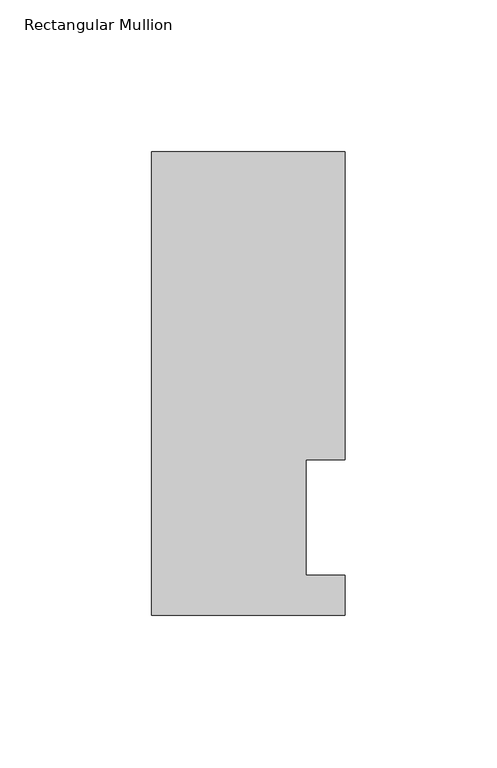
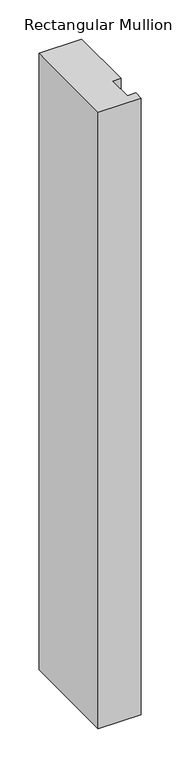
"""IFC4 building model written with IfcOpenShell, lengths in millimetres: member geometry, Rectangular Mullion."""

from ifc_helpers import new_model, si_unit, frame, origin, place, context, project, spatial, polyline, outline, extrude, source, transform, mapped, element, save


def rectangular_mullion_63a8c291(model_context):
    return source(origin(), model_context, "Body", "SweptSolid", [
        extrude(outline(polyline([(-63.5, 152.4896938), (0.0, 152.4896938), (0.0, 51.2960938), (-12.6873, 51.2960938), (-12.6873, 13.1960938), (0.0, 13.1960938), (0.0, 0.0134938), (-63.5, 0.0134938), (-63.5, 152.4896938)])), frame((0.0, 0.0, -965.2), z_axis=(0.0, 0.0, 1.0), x_axis=(1.0, 0.0, 0.0)), (0.0, 0.0, 1.0), 965.2),
    ])


if __name__ == "__main__":
    model = new_model("IFC4")
    model_context = context("Model", 3, world=origin())
    ifc_project = project(units=[si_unit("LENGTHUNIT", "METRE", prefix="MILLI")], contexts=[model_context])
    site = spatial("IfcSite", under=ifc_project)
    building = spatial("IfcBuilding", under=site)
    placement = place(None, origin())
    rectangular_mullion_shape = rectangular_mullion_63a8c291(model_context)
    element("IfcMember", 1, ObjectType="Rectangular Mullion", at=placement, inside=building, context=model_context, shape_type="MappedRepresentation", body=[
        mapped(rectangular_mullion_shape, transform((0.0, 0.0, 0.0), x_axis=(1.0, 0.0, 0.0), y_axis=(0.0, 1.0, 0.0), z_axis=(0.0, 0.0, 1.0))),
    ])
    save(model, "model.ifc")
